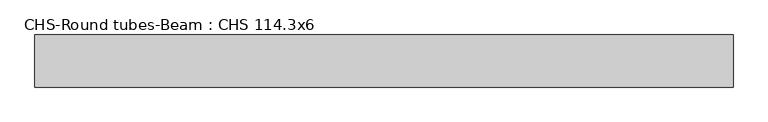
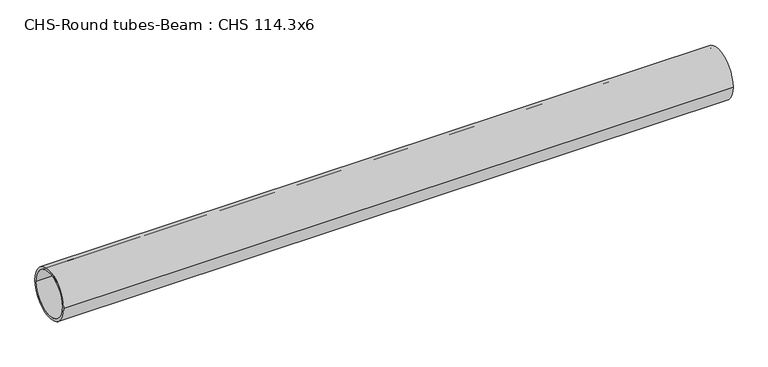
"""IFC4 building model written with IfcOpenShell, lengths in millimetres: beam geometry, CHS-Round tubes-Beam : CHS 114.3x6."""

from ifc_helpers import new_model, si_unit, point, frame, origin, origin_2d, place, context, project, spatial, circle_curve, trimmed, segment, composite_curve, outline, extrude, source, transform, mapped, element, save


def chs_round_tubes_beam_chs_114_3x6_3a520382(model_context):
    return source(origin(), model_context, "Body", "SweptSolid", [
        extrude(outline(composite_curve([segment(trimmed(circle_curve(origin_2d(), 57.15), [point((57.15, 0.0))], [point((-57.15, 0.0))], False, "CARTESIAN"), True, "CONTINUOUS"), segment(trimmed(circle_curve(origin_2d(), 57.15), [point((-57.15, 0.0))], [point((57.15, 0.0))], False, "CARTESIAN"), True, "CONTINUOUS")], self_intersect=False), holes=[composite_curve([segment(trimmed(circle_curve(origin_2d(), 51.15), [point((51.15, 0.0))], [point((-51.15, 0.0))], True, "CARTESIAN"), True, "CONTINUOUS"), segment(trimmed(circle_curve(origin_2d(), 51.15), [point((-51.15, 0.0))], [point((51.15, 0.0))], True, "CARTESIAN"), True, "CONTINUOUS")], self_intersect=False)]), frame((-757.203956, 0.0, 0.0), z_axis=(1.0, 0.0, 0.0), x_axis=(0.0, 1.0, 0.0)), (0.0, 0.0, 1.0), 1532.0728959),
    ])


if __name__ == "__main__":
    model = new_model("IFC4")
    model_context = context("Model", 3, world=origin())
    ifc_project = project(units=[si_unit("LENGTHUNIT", "METRE", prefix="MILLI")], contexts=[model_context])
    site = spatial("IfcSite", under=ifc_project)
    building = spatial("IfcBuilding", under=site)
    placement = place(None, origin())
    chs_round_tubes_beam_chs_114_3x6_shape = chs_round_tubes_beam_chs_114_3x6_3a520382(model_context)
    element("IfcBeam", 1, ObjectType="CHS-Round tubes-Beam : CHS 114.3x6", at=placement, inside=building, context=model_context, shape_type="MappedRepresentation", body=[
        mapped(chs_round_tubes_beam_chs_114_3x6_shape, transform((0.0, 0.0, 0.0), x_axis=(1.0, 0.0, 0.0), y_axis=(0.0, 1.0, 0.0), z_axis=(0.0, 0.0, 1.0))),
    ])
    save(model, "model.ifc")
